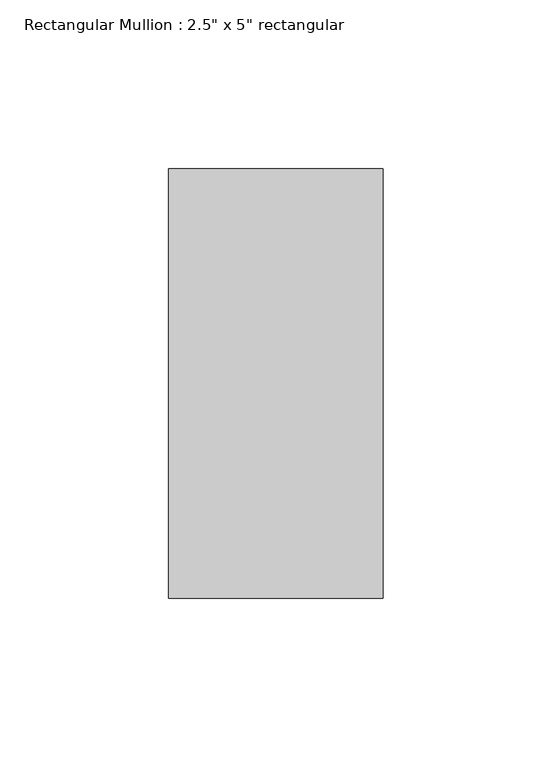
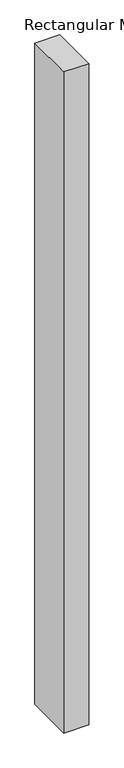
"""IFC4 building model written with IfcOpenShell, lengths in millimetres: member geometry."""

import ifcopenshell
import ifcopenshell.guid

model = None  # the IFC model being written
_history = None  # IfcOwnerHistory: only IFC2X3 demands one
_inside = {}  # id of a spatial element -> (the spatial element, [elements in it])
_under = {}  # id of a project, library or spatial element -> (it, [spatial elements below it])
_declared = {}  # id of a project -> (the project, [libraries it declares])
_typed = {}  # id of a type object -> (the type object, [elements of that type])
_made_of = {}  # id of a material, layer set ... -> (it, [elements and type objects made of it])


def new_model(schema):
    """Start an empty IFC model of exactly this schema.

    Asked for "IFC4X3", IfcOpenShell would pick the latest addendum, in which some entities
    have other attributes; the version numbers below select the first issue.
    IFC2X3 requires an IfcOwnerHistory on every rooted entity: one is made here for all.
    """
    global model, _history
    if schema == "IFC4X3":
        model = ifcopenshell.file(schema_version=(4, 3, 0, 0))
    else:
        model = ifcopenshell.file(schema=schema)
    _inside.clear()
    _under.clear()
    _declared.clear()
    _typed.clear()
    _made_of.clear()
    _history = None
    if model.schema == "IFC2X3":
        org = make("IfcOrganization", Name="unknown")
        user = make(
            "IfcPersonAndOrganization",
            ThePerson=make("IfcPerson", FamilyName="unknown"),
            TheOrganization=org,
        )
        app = make(
            "IfcApplication",
            ApplicationDeveloper=org,
            Version="unknown",
            ApplicationFullName="unknown",
            ApplicationIdentifier="unknown",
        )
        _history = make(
            "IfcOwnerHistory",
            OwningUser=user,
            OwningApplication=app,
            ChangeAction="ADDED",
            CreationDate=0,
        )
    return model


def make(cls, **values):
    """One entity of the class cls with the attributes given. An attribute that is None is left unset."""
    return model.create_entity(
        cls, **{name: value for name, value in values.items() if value is not None}
    )


def rooted(cls, **values):
    """An entity with a GlobalId (a new one), such as an element, a storey or a relation."""
    return make(cls, GlobalId=ifcopenshell.guid.new(), OwnerHistory=_history, **values)


def si_unit(unit_type, name, prefix=None):
    """IfcSIUnit, for example si_unit("LENGTHUNIT", "METRE", prefix="MILLI")."""
    return make("IfcSIUnit", UnitType=unit_type, Prefix=prefix, Name=name)


def assignment(units):
    """IfcUnitAssignment: the units of a project."""
    return None if units is None else make("IfcUnitAssignment", Units=units)


def point(xyz):
    """IfcCartesianPoint."""
    return None if xyz is None else make("IfcCartesianPoint", Coordinates=xyz)


def direction(xyz):
    """IfcDirection."""
    return None if xyz is None else make("IfcDirection", DirectionRatios=xyz)


def frame(location, z_axis=None, x_axis=None):
    """IfcAxis2Placement3D, a coordinate frame: its origin and axes. An axis left out is left unset."""
    return make(
        "IfcAxis2Placement3D",
        Location=point(location),
        Axis=direction(z_axis),
        RefDirection=direction(x_axis),
    )


def origin():
    """The frame at (0, 0, 0) with its axes left unset."""
    return frame((0.0, 0.0, 0.0))


def place(relative_to, where):
    """IfcLocalPlacement: puts the frame where relative to a parent placement (None: the world)."""
    return make(
        "IfcLocalPlacement", PlacementRelTo=relative_to, RelativePlacement=where
    )


def context(
    kind, dimensions, precision=None, world=None, true_north=None, identifier=None
):
    """IfcGeometricRepresentationContext, for example the 3D "Model" context."""
    return make(
        "IfcGeometricRepresentationContext",
        ContextIdentifier=identifier,
        ContextType=kind,
        CoordinateSpaceDimension=dimensions,
        Precision=precision,
        WorldCoordinateSystem=world,
        TrueNorth=true_north,
    )


def project(units=None, contexts=None):
    """IfcProject with its units and contexts."""
    return rooted(
        "IfcProject",
        Name="project",
        RepresentationContexts=contexts,
        UnitsInContext=assignment(units),
    )


def spatial(cls, under=None, at=None, **own):
    """A site, building, storey or space (cls), placed at a placement, below another one or the project."""
    s = rooted(cls, ObjectPlacement=at, **own)
    if under is not None:
        _under.setdefault(under.id(), (under, []))[1].append(s)
    return s


def polyline(points):
    """IfcPolyline through the points."""
    return make("IfcPolyline", Points=[point(p) for p in points])


def outline(outer, holes=None, kind="AREA"):
    """IfcArbitraryClosedProfileDef: a profile drawn as a closed curve; with holes, ...WithVoids."""
    if holes is None:
        return make("IfcArbitraryClosedProfileDef", ProfileType=kind, OuterCurve=outer)
    return make(
        "IfcArbitraryProfileDefWithVoids",
        ProfileType=kind,
        OuterCurve=outer,
        InnerCurves=holes,
    )


def extrude(swept, where, along, depth):
    """IfcExtrudedAreaSolid: the profile swept, set in the frame where, extruded along a direction by depth."""
    return make(
        "IfcExtrudedAreaSolid",
        SweptArea=swept,
        Position=where,
        ExtrudedDirection=direction(along),
        Depth=depth,
    )


def shape(context_of_items, identifier, shape_type, items):
    """IfcShapeRepresentation: the items that make up one representation, for example the "Body"."""
    return make(
        "IfcShapeRepresentation",
        ContextOfItems=context_of_items,
        RepresentationIdentifier=identifier,
        RepresentationType=shape_type,
        Items=items,
    )


def source(mapping_origin, context_of_items, identifier, shape_type, items):
    """IfcRepresentationMap: a shape defined once, which mapped items show again and again."""
    return make(
        "IfcRepresentationMap",
        MappingOrigin=mapping_origin,
        MappedRepresentation=shape(context_of_items, identifier, shape_type, items),
    )


def transform(
    local_origin,
    x_axis=None,
    y_axis=None,
    z_axis=None,
    scale=None,
    scale2=None,
    scale3=None,
    uniform=True,
):
    """IfcCartesianTransformationOperator3D, or its non-uniform kind. x_axis, y_axis, z_axis: its Axis1, 2, 3."""
    if uniform:
        return make(
            "IfcCartesianTransformationOperator3D",
            Axis1=direction(x_axis),
            Axis2=direction(y_axis),
            LocalOrigin=point(local_origin),
            Scale=scale,
            Axis3=direction(z_axis),
        )
    return make(
        "IfcCartesianTransformationOperator3DnonUniform",
        Axis1=direction(x_axis),
        Axis2=direction(y_axis),
        LocalOrigin=point(local_origin),
        Scale=scale,
        Axis3=direction(z_axis),
        Scale2=scale2,
        Scale3=scale3,
    )


def mapped(mapping_source, mapping_target):
    """IfcMappedItem: shows the shape of a source again, moved by a transform."""
    return make(
        "IfcMappedItem", MappingSource=mapping_source, MappingTarget=mapping_target
    )


def made_of(thing, what):
    """Note that an element or type object is made of a material, layer set ...; save() writes the relation."""
    if what is not None:
        _made_of.setdefault(what.id(), (what, []))[1].append(thing)
    return thing


def element(
    cls,
    number,
    at=None,
    inside=None,
    cuts=None,
    type_object=None,
    material=None,
    context=None,
    identifier="Body",
    shape_type=None,
    held_by="IfcProductDefinitionShape",
    body=None,
    shapes=None,
    **own,
):
    """One element of the class cls, such as IfcWall. Its Tag is "e" and its number.

    at: its placement. inside: the storey or other place that contains it. cuts: it is an
    opening in that element (IfcRelVoidsElement). A single representation is given by context,
    identifier, shape_type and body (its items); several are given by shapes. held_by: the class
    of the entity that holds the representations. save() writes the other relations.
    """
    e = rooted(cls, Tag="e%d" % number, ObjectPlacement=at, **own)
    if body is not None:
        shapes = [shape(context, identifier, shape_type, body)]
    if shapes is not None:
        e.Representation = make(held_by, Representations=shapes)
    if inside is not None:
        _inside.setdefault(inside.id(), (inside, []))[1].append(e)
    if cuts is not None:
        rooted(
            "IfcRelVoidsElement", RelatingBuildingElement=cuts, RelatedOpeningElement=e
        )
    if type_object is not None:
        _typed.setdefault(type_object.id(), (type_object, []))[1].append(e)
    return made_of(e, material)


def aggregate(whole, parts):
    """IfcRelAggregates: a whole, such as a stair, and the parts it consists of."""
    return rooted("IfcRelAggregates", RelatingObject=whole, RelatedObjects=parts)


def save(model, path):
    """Write the relations noted so far, then the file.

    IfcRelAggregates (storeys below a building ...), IfcRelContainedInSpatialStructure (elements
    in a storey), IfcRelDefinesByType, IfcRelAssociatesMaterial and IfcRelDeclares: one each for
    every whole, place, type object, material and project.
    """
    for whole, parts in _under.values():
        aggregate(whole, parts)
    for where, things in _inside.values():
        rooted(
            "IfcRelContainedInSpatialStructure",
            RelatedElements=things,
            RelatingStructure=where,
        )
    for kind, things in _typed.values():
        rooted("IfcRelDefinesByType", RelatedObjects=things, RelatingType=kind)
    for what, things in _made_of.values():
        rooted("IfcRelAssociatesMaterial", RelatedObjects=things, RelatingMaterial=what)
    for by, libraries in _declared.values():
        rooted("IfcRelDeclares", RelatingContext=by, RelatedDefinitions=libraries)
    model.write(path)


def member_6500a143(model_context):
    return source(origin(), model_context, "Body", "SweptSolid", [
        extrude(outline(polyline([(0.0, 63.5), (0.0, -63.5), (-63.5, -63.5), (-63.5, 63.5), (0.0, 63.5)])), frame((0.0, 0.0, -1775.7446968), z_axis=(0.0, 0.0, 1.0), x_axis=(1.0, 0.0, 0.0)), (0.0, 0.0, 1.0), 1775.7446968),
    ])


if __name__ == "__main__":
    model = new_model("IFC4")
    model_context = context("Model", 3, world=origin())
    ifc_project = project(units=[si_unit("LENGTHUNIT", "METRE", prefix="MILLI")], contexts=[model_context])
    site = spatial("IfcSite", under=ifc_project)
    building = spatial("IfcBuilding", under=site)
    placement = place(None, origin())
    member_shape = member_6500a143(model_context)
    element("IfcMember", 1, ObjectType="Rectangular Mullion : 2.5\" x 5\" rectangular", at=placement, inside=building, context=model_context, shape_type="MappedRepresentation", body=[
        mapped(member_shape, transform((0.0, 0.0, 0.0), x_axis=(1.0, 0.0, 0.0), y_axis=(0.0, 1.0, 0.0), z_axis=(0.0, 0.0, 1.0))),
    ])
    save(model, "model.ifc")
